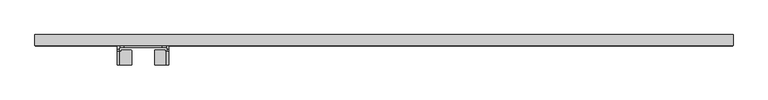
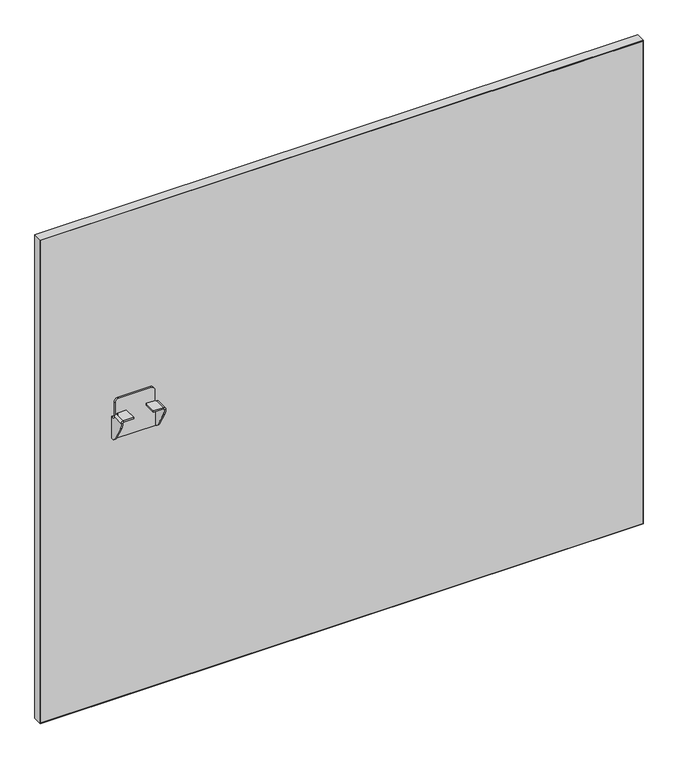
"""IFC4 building model written with IfcOpenShell, lengths in millimetres: furniture geometry."""

from ifc_helpers import new_model, si_unit, frame, origin, place, context, project, spatial, polyline, circle_curve, outline, extrude, source, transform, mapped, element, save
from ifc_brep_helpers import plane_surface, cylinder_surface, revolved_surface, advanced_brep


def furniture_48e8f920(model_context):
    return source(origin(), model_context, "Body", "SolidModel", [
        advanced_brep(
        [(149.0521938, 1.06716, 620.0380983), (149.0521938, 4.1049999, 620.0380983), (144.0521992, 4.1049999, 620.0380983), (144.0521992, -1.6875933, 620.0380983), (147.0900316, -1.6875933, 620.0380983), (147.0900316, 1.06716, 620.0380983), (229.0522071, 4.1049999, 620.0380983), (229.0522071, 1.06716, 620.0380983), (231.0143693, 1.06716, 620.0380983), (231.0143693, -1.6875933, 620.0380983), (234.0522017, -1.6875933, 620.0380983), (234.0522017, 4.1049999, 620.0380983), (229.052189, 4.1049999, 649.8381144), (229.052189, 1.06716, 649.8381144), (222.0521984, 4.1049999, 656.838105), (222.0521984, 1.06716, 656.838105), (156.0522026, 4.1049999, 656.838105), (156.0522026, 1.06716, 656.838105), (149.0521938, 4.1049999, 649.8380962), (149.0521938, 1.06716, 649.8380962), (169.0521994, -29.5203411, 626.5001312), (169.0521994, -29.5203411, 629.5379545), (148.4947233, -29.5203411, 629.5379545), (144.0521992, -29.5203411, 625.0954304), (144.0521992, -29.5203411, 624.6295199), (147.0900316, -29.5203411, 624.6295199), (147.0900316, -29.5203411, 625.0357436), (148.5544192, -29.5203411, 626.5001312), (209.0522015, -29.5203411, 626.5001312), (229.5499817, -29.5203411, 626.5001312), (231.0143693, -29.5203411, 625.0357436), (231.0143693, -29.5203411, 624.6295199), (234.0522017, -29.5203411, 624.6295199), (234.0522017, -29.5203411, 625.0954304), (229.6096776, -29.5203411, 629.5379545), (209.0522015, -29.5203411, 629.5379545), (234.0522017, 4.1049999, 573.0381329), (144.0521992, 4.1049999, 573.0381329), (169.0521994, -4.3999769, 626.5001312), (169.0521994, -4.3999769, 629.5379545), (168.1725625, -3.5203401, 629.5379545), (151.2898165, -3.5203401, 629.5379545), (150.5521931, -4.2579635, 629.5379545), (150.5521931, -5.4397153, 629.5379545), (149.9715682, -6.0203402, 629.5379545), (148.4947233, -6.0203402, 629.5379545), (144.0521992, -6.0203402, 625.0954304), (144.0521992, -6.0203402, 624.3708452), (144.0521992, 0.8823599, 573.0381329), (144.0521992, -5.9290326, 577.9183582), (144.0521992, -25.8702399, 611.375914), (147.0900316, 0.8823599, 573.0381329), (234.0522017, 0.8823599, 573.0381329), (231.0143693, 0.8823599, 573.0381329), (231.0143693, 1.06716, 573.0381329), (147.0900316, 1.06716, 573.0381329), (147.0900316, -25.8702399, 611.375914), (147.0900316, -5.9290326, 577.9183582), (147.0900316, -6.0203402, 624.3708452), (147.0900316, -6.0203402, 625.0357436), (148.5544192, -6.0203402, 626.5001312), (149.9715682, -6.0203402, 626.5001312), (150.5521931, -5.4397153, 626.5001312), (150.5521931, -4.2579635, 626.5001312), (151.2898165, -3.5203401, 626.5001312), (168.1725625, -3.5203401, 626.5001312), (209.0522015, -4.3999769, 626.5001312), (209.9318384, -3.5203401, 626.5001312), (226.8145845, -3.5203401, 626.5001312), (227.5522079, -4.2579635, 626.5001312), (227.5522079, -5.4397153, 626.5001312), (228.1328327, -6.0203402, 626.5001312), (229.5499817, -6.0203402, 626.5001312), (231.0143693, -6.0203402, 625.0357436), (231.0143693, -6.0203402, 624.3708452), (231.0143693, -5.9290326, 577.9183582), (231.0143693, -25.8702399, 611.375914), (234.0522017, -25.8702399, 611.375914), (234.0522017, -5.9290326, 577.9183582), (234.0522017, -6.0203402, 624.3708452), (234.0522017, -6.0203402, 625.0954304), (229.6096776, -6.0203402, 629.5379545), (228.1328327, -6.0203402, 629.5379545), (227.5522079, -5.4397153, 629.5379545), (227.5522079, -4.2579635, 629.5379545), (226.8145845, -3.5203401, 629.5379545), (209.9318384, -3.5203401, 629.5379545), (209.0522015, -4.3999769, 629.5379545)],
        [
            (0, 1),
            (1, 2),
            (2, 3),
            (3, 4),
            (4, 5),
            (5, 0),
            (6, 7),
            (7, 8),
            (8, 9),
            (9, 10),
            (10, 11),
            (11, 6),
            (12, 13),
            (13, 7),
            (6, 12),
            (12, 14, circle_curve(frame((222.0521984, 4.1049999, 649.8381144), z_axis=(0.0, -1.0, 0.0), x_axis=(1.0, 0.0, 0.0)), 6.9999906)),
            (14, 15),
            (15, 13, circle_curve(frame((222.0521984, 1.06716, 649.8381144), z_axis=(0.0, 1.0, 0.0), x_axis=(1.0, 0.0, 0.0)), 6.9999906)),
            (14, 16),
            (16, 17),
            (17, 15),
            (16, 18, circle_curve(frame((156.0522026, 4.1049999, 649.8380962), z_axis=(0.0, -1.0, 0.0), x_axis=(1.0, 0.0, 0.0)), 7.0000088)),
            (18, 19),
            (19, 17, circle_curve(frame((156.0522026, 1.06716, 649.8380962), z_axis=(0.0, 1.0, 0.0), x_axis=(1.0, 0.0, 0.0)), 7.0000088)),
            (18, 1),
            (0, 19),
            (20, 21),
            (21, 22),
            (22, 23, circle_curve(frame((148.4947233, -29.5203411, 625.0954304), z_axis=(0.0, -1.0, 0.0), x_axis=(1.0, 0.0, 0.0)), 4.4425241)),
            (23, 24),
            (24, 25),
            (25, 26),
            (26, 27, circle_curve(frame((148.5544192, -29.5203411, 625.0357436), z_axis=(0.0, 1.0, 0.0), x_axis=(1.0, 0.0, 0.0)), 1.4643876)),
            (27, 20),
            (28, 29),
            (29, 30, circle_curve(frame((229.5499817, -29.5203411, 625.0357436), z_axis=(0.0, 1.0, 0.0), x_axis=(-1.0, 0.0, 0.0)), 1.4643876)),
            (30, 31),
            (31, 32),
            (32, 33),
            (33, 34, circle_curve(frame((229.6096776, -29.5203411, 625.0954304), z_axis=(0.0, -1.0, 0.0), x_axis=(-1.0, 0.0, 0.0)), 4.4425241)),
            (34, 35),
            (35, 28),
            (11, 36),
            (36, 37),
            (37, 2),
            (20, 38),
            (38, 39),
            (39, 21),
            (39, 40, circle_curve(frame((168.1725625, -4.3999769, 629.5379545), z_axis=(0.0, 0.0, 1.0), x_axis=(1.0, 0.0, 0.0)), 0.8796369)),
            (40, 41),
            (41, 42, circle_curve(frame((151.2898165, -4.2579635, 629.5379545), z_axis=(0.0, 0.0, 1.0), x_axis=(1.0, 0.0, 0.0)), 0.7376234)),
            (42, 43),
            (43, 44, circle_curve(frame((149.9715682, -5.4397153, 629.5379545), z_axis=(0.0, 0.0, -1.0), x_axis=(1.0, 0.0, 0.0)), 0.5806249)),
            (44, 45),
            (45, 22),
            (45, 46, circle_curve(frame((148.4947233, -6.0203402, 625.0954304), z_axis=(0.0, -1.0, 0.0), x_axis=(1.0, 0.0, 0.0)), 4.4425241)),
            (46, 23),
            (46, 47),
            (47, 3, circle_curve(frame((144.0521992, -1.6875933, 624.3708452), z_axis=(1.0, 0.0, 0.0), x_axis=(0.0, -1.0, 0.0)), 4.3327469)),
            (37, 48),
            (48, 49, circle_curve(frame((144.0521992, 3.066225, 583.2796673), z_axis=(-1.0, 0.0, 0.0), x_axis=(0.0, -1.0, 0.0)), 10.4717856)),
            (49, 50),
            (50, 24, circle_curve(frame((144.0521992, -3.6332082, 624.6295199), z_axis=(-1.0, 0.0, 0.0), x_axis=(0.0, -1.0, 0.0)), 25.8871329)),
            (51, 48),
            (36, 52),
            (52, 53),
            (53, 54),
            (54, 55),
            (55, 51),
            (25, 56, circle_curve(frame((147.0900316, -3.6332082, 624.6295199), z_axis=(1.0, 0.0, 0.0), x_axis=(0.0, -1.0, 0.0)), 25.8871329)),
            (56, 57),
            (57, 51, circle_curve(frame((147.0900316, 3.066225, 583.2796673), z_axis=(1.0, 0.0, 0.0), x_axis=(0.0, -1.0, 0.0)), 10.4717856)),
            (55, 5),
            (4, 58, circle_curve(frame((147.0900316, -1.6875933, 624.3708452), z_axis=(-1.0, 0.0, 0.0), x_axis=(0.0, -1.0, 0.0)), 4.3327469)),
            (58, 59),
            (59, 26),
            (59, 60, circle_curve(frame((148.5544192, -6.0203402, 625.0357436), z_axis=(0.0, 1.0, 0.0), x_axis=(1.0, 0.0, 0.0)), 1.4643876)),
            (60, 27),
            (60, 61),
            (61, 62, circle_curve(frame((149.9715682, -5.4397153, 626.5001312), z_axis=(0.0, 0.0, 1.0), x_axis=(1.0, 0.0, 0.0)), 0.5806249)),
            (62, 63),
            (63, 64, circle_curve(frame((151.2898165, -4.2579635, 626.5001312), z_axis=(0.0, 0.0, -1.0), x_axis=(1.0, 0.0, 0.0)), 0.7376234)),
            (64, 65),
            (65, 38, circle_curve(frame((168.1725625, -4.3999769, 626.5001312), z_axis=(0.0, 0.0, -1.0), x_axis=(1.0, 0.0, 0.0)), 0.8796369)),
            (28, 66),
            (66, 67, circle_curve(frame((209.9318384, -4.3999769, 626.5001312), z_axis=(0.0, 0.0, -1.0), x_axis=(-1.0, 0.0, 0.0)), 0.8796369)),
            (67, 68),
            (68, 69, circle_curve(frame((226.8145845, -4.2579635, 626.5001312), z_axis=(0.0, 0.0, -1.0), x_axis=(-1.0, 0.0, 0.0)), 0.7376234)),
            (69, 70),
            (70, 71, circle_curve(frame((228.1328327, -5.4397153, 626.5001312), z_axis=(0.0, 0.0, 1.0), x_axis=(-1.0, 0.0, 0.0)), 0.5806249)),
            (71, 72),
            (72, 29),
            (72, 73, circle_curve(frame((229.5499817, -6.0203402, 625.0357436), z_axis=(0.0, 1.0, 0.0), x_axis=(-1.0, 0.0, 0.0)), 1.4643876)),
            (73, 30),
            (73, 74),
            (74, 9, circle_curve(frame((231.0143693, -1.6875933, 624.3708452), z_axis=(1.0, 0.0, 0.0), x_axis=(0.0, -1.0, 0.0)), 4.3327469)),
            (8, 54),
            (53, 75, circle_curve(frame((231.0143693, 3.066225, 583.2796673), z_axis=(-1.0, 0.0, 0.0), x_axis=(0.0, -1.0, 0.0)), 10.4717856)),
            (75, 76),
            (76, 31, circle_curve(frame((231.0143693, -3.6332082, 624.6295199), z_axis=(-1.0, 0.0, 0.0), x_axis=(0.0, -1.0, 0.0)), 25.8871329)),
            (32, 77, circle_curve(frame((234.0522017, -3.6332082, 624.6295199), z_axis=(1.0, 0.0, 0.0), x_axis=(0.0, -1.0, 0.0)), 25.8871329)),
            (77, 78),
            (78, 52, circle_curve(frame((234.0522017, 3.066225, 583.2796673), z_axis=(1.0, 0.0, 0.0), x_axis=(0.0, -1.0, 0.0)), 10.4717856)),
            (10, 79, circle_curve(frame((234.0522017, -1.6875933, 624.3708452), z_axis=(-1.0, 0.0, 0.0), x_axis=(0.0, -1.0, 0.0)), 4.3327469)),
            (79, 80),
            (80, 33),
            (80, 81, circle_curve(frame((229.6096776, -6.0203402, 625.0954304), z_axis=(0.0, -1.0, 0.0), x_axis=(-1.0, 0.0, 0.0)), 4.4425241)),
            (81, 34),
            (81, 82),
            (82, 83, circle_curve(frame((228.1328327, -5.4397153, 629.5379545), z_axis=(0.0, 0.0, -1.0), x_axis=(-1.0, 0.0, 0.0)), 0.5806249)),
            (83, 84),
            (84, 85, circle_curve(frame((226.8145845, -4.2579635, 629.5379545), z_axis=(0.0, 0.0, 1.0), x_axis=(-1.0, 0.0, 0.0)), 0.7376234)),
            (85, 86),
            (86, 87, circle_curve(frame((209.9318384, -4.3999769, 629.5379545), z_axis=(0.0, 0.0, 1.0), x_axis=(-1.0, 0.0, 0.0)), 0.8796369)),
            (87, 35),
            (87, 66),
            (49, 57),
            (56, 50),
            (75, 78),
            (77, 76),
            (47, 58),
            (74, 79),
            (64, 41),
            (40, 65),
            (44, 61),
            (43, 62),
            (42, 63),
            (68, 85),
            (84, 69),
            (83, 70),
            (82, 71),
            (86, 67),
        ],
        [
            plane_surface(frame((147.8704256, 1.06716, 620.0380983), z_axis=(0.0, 0.0, 1.0), x_axis=(0.0, 1.0, 0.0))),
            plane_surface(frame((234.0522017, 1.06716, 620.0380983), z_axis=(0.0, 0.0, 1.0), x_axis=(0.0, 1.0, 0.0))),
            plane_surface(frame((229.052189, 1.06716, 621.2198666), z_axis=(1.0, 0.0, 0.0), x_axis=(0.0, 1.0, 0.0))),
            cylinder_surface(frame((222.0521984, 4.1049999, 649.8381144), z_axis=(0.0, -1.0, 0.0), x_axis=(1.0, 0.0, 0.0)), 6.9999906),
            plane_surface(frame((222.0521984, 1.06716, 656.838105), z_axis=(0.0, 0.0, 1.0), x_axis=(0.0, 1.0, 0.0))),
            cylinder_surface(frame((156.0522026, 4.1049999, 649.8380962), z_axis=(0.0, -1.0, 0.0), x_axis=(1.0, 0.0, 0.0)), 7.0000088),
            plane_surface(frame((149.0521938, 1.06716, 649.8380962), z_axis=(-1.0, 0.0, 0.0), x_axis=(0.0, 1.0, 0.0))),
            plane_surface(frame((169.0521994, -29.5203411, 629.5379545), z_axis=(0.0, -1.0, 0.0), x_axis=(0.0, 0.0, 1.0))),
            plane_surface(frame((169.0521994, 4.1049999, 629.5379545), z_axis=(0.0, 1.0, 0.0), x_axis=(0.0, 0.0, -1.0))),
            plane_surface(frame((169.0521994, -29.5203411, 626.5001312), z_axis=(1.0, 0.0, 0.0), x_axis=(0.0, 1.0, 0.0))),
            plane_surface(frame((169.0521994, -29.5203411, 629.5379545), z_axis=(0.0, 0.0, 1.0), x_axis=(0.0, 1.0, 0.0))),
            cylinder_surface(frame((148.4947233, 4.1049999, 625.0954304), z_axis=(0.0, -1.0, 0.0), x_axis=(1.0, 0.0, 0.0)), 4.4425241),
            plane_surface(frame((144.0521992, -29.5203411, 625.0954304), z_axis=(-1.0, 0.0, 0.0), x_axis=(0.0, 1.0, 0.0))),
            plane_surface(frame((144.0521992, -29.5203411, 573.0381329), z_axis=(0.0, 0.0, -1.0), x_axis=(0.0, 1.0, 0.0))),
            plane_surface(frame((147.0900316, -29.5203411, 573.0381329), z_axis=(1.0, 0.0, 0.0), x_axis=(0.0, 1.0, 0.0))),
            revolved_surface(polyline([(150.01880680000002, -6.020340199999999, 625.0357436), (150.01880680000002, -29.5203411, 625.0357436)]), (148.5544192, 4.1049999, 625.0357436), (0.0, 1.0, 0.0)),
            plane_surface(frame((148.5544192, -29.5203411, 626.5001312), z_axis=(0.0, 0.0, -1.0), x_axis=(0.0, 1.0, 0.0))),
            plane_surface(frame((209.0522015, -29.5203411, 626.5001312), z_axis=(0.0, 0.0, -1.0), x_axis=(0.0, 1.0, 0.0))),
            revolved_surface(polyline([(228.08559409999998, -6.0203402, 625.0357436), (228.08559409999998, -29.5203411, 625.0357436)]), (229.5499817, 0.0, 625.0357436), (0.0, 1.0, 0.0)),
            plane_surface(frame((231.0143693, -29.5203411, 625.0357436), z_axis=(-1.0, 0.0, 0.0), x_axis=(0.0, 1.0, 0.0))),
            plane_surface(frame((234.0522017, -29.5203411, 573.0381329), z_axis=(1.0, 0.0, 0.0), x_axis=(0.0, 1.0, 0.0))),
            cylinder_surface(frame((229.6096776, 0.0, 625.0954304), z_axis=(0.0, -1.0, 0.0), x_axis=(-1.0, 0.0, 0.0)), 4.4425241),
            plane_surface(frame((229.6096776, -29.5203411, 629.5379545), z_axis=(0.0, 0.0, 1.0), x_axis=(0.0, 1.0, 0.0))),
            plane_surface(frame((209.0522015, -29.5203411, 629.5379545), z_axis=(-1.0, 0.0, 0.0), x_axis=(0.0, 1.0, 0.0))),
            plane_surface(frame((236.585753, -5.9290326, 577.9183582), z_axis=(0.0, -0.8589994037788274, -0.5119765857025291), x_axis=(-1.0, 0.0, 0.0))),
            cylinder_surface(frame((141.8424723, -3.6332082, 624.6295199), z_axis=(-1.0, 0.0, 0.0), x_axis=(0.0, -1.0, 0.0)), 25.8871329),
            cylinder_surface(frame((141.8424723, 3.066225, 583.2796673), z_axis=(-1.0, 0.0, 0.0), x_axis=(0.0, -1.0, 0.0)), 10.4717856),
            revolved_surface(polyline([(147.0900316, -6.0203402, 624.3708452), (144.0521992, -6.0203402, 624.3708452)]), (141.8424723, -1.6875933, 624.3708452), (1.0, 0.0, 0.0)),
            revolved_surface(polyline([(231.0143693, -6.0203402, 624.3708452), (234.0522017, -6.0203402, 624.3708452)]), (236.2619286, -1.6875933, 624.3708452), (-1.0, 0.0, 0.0)),
            plane_surface(frame((151.2898165, -3.5203401, 663.2138968), z_axis=(0.0, 1.0, 0.0), x_axis=(0.0, 0.0, -1.0))),
            cylinder_surface(frame((168.1725625, -4.3999769, 560.9501359), z_axis=(0.0, 0.0, -1.0), x_axis=(1.0, 0.0, 0.0)), 0.8796369),
            plane_surface(frame((169.0521994, 1.06716, 663.2138968), z_axis=(0.0, -1.0, 0.0), x_axis=(0.0, 0.0, -1.0))),
            plane_surface(frame((149.0521938, -6.0203402, 663.2138968), z_axis=(0.0, 1.0, 0.0), x_axis=(0.0, 0.0, -1.0))),
            revolved_surface(polyline([(150.5521931, -5.4397153, 629.5379545), (150.5521931, -5.4397153, 626.5001312)]), (149.9715682, -5.4397153, 560.9501359), (0.0, 0.0, 1.0)),
            plane_surface(frame((150.5521931, -5.4397153, 663.2138968), z_axis=(-1.0, 0.0, 0.0), x_axis=(0.0, 0.0, -1.0))),
            cylinder_surface(frame((151.2898165, -4.2579635, 560.9501359), z_axis=(0.0, 0.0, -1.0), x_axis=(1.0, 0.0, 0.0)), 0.7376234),
            cylinder_surface(frame((226.8145845, -4.2579635, 48.3485614), z_axis=(0.0, 0.0, -1.0), x_axis=(-1.0, 0.0, 0.0)), 0.7376234),
            plane_surface(frame((227.5522079, -4.2579635, 663.2138968), z_axis=(1.0, 0.0, 0.0), x_axis=(0.0, 0.0, -1.0))),
            revolved_surface(polyline([(227.5522078, -5.4397153, 629.5379545), (227.5522078, -5.4397153, 626.5001312)]), (228.1328327, -5.4397153, 48.3485614), (0.0, 0.0, 1.0)),
            plane_surface(frame((228.1328327, -6.0203402, 663.2138968), z_axis=(0.0, 1.0, 0.0), x_axis=(0.0, 0.0, -1.0))),
            cylinder_surface(frame((209.9318384, -4.3999769, 48.3485614), z_axis=(0.0, 0.0, -1.0), x_axis=(-1.0, 0.0, 0.0)), 0.8796369),
            plane_surface(frame((209.9318384, -3.5203401, 663.2138968), z_axis=(0.0, 1.0, 0.0), x_axis=(0.0, 0.0, -1.0))),
        ],
        [
            (0, [[1, 2, 3, 4, 5, 6]]),
            (1, [[7, 8, 9, 10, 11, 12]]),
            (2, [[13, 14, -7, 15]]),
            (3, [[16, 17, 18, -13]]),
            (4, [[19, 20, 21, -17]]),
            (5, [[22, 23, 24, -20]]),
            (6, [[-23, 25, -1, 26]]),
            (7, [[27, 28, 29, 30, 31, 32, 33, 34]]),
            (7, [[35, 36, 37, 38, 39, 40, 41, 42]]),
            (8, [[-22, -19, -16, -15, -12, 43, 44, 45, -2, -25]]),
            (9, [[-27, 46, 47, 48]]),
            (10, [[-28, -48, 49, 50, 51, 52, 53, 54, 55]]),
            (11, [[-29, -55, 56, 57]]),
            (12, [[-30, -57, 58, 59, -3, -45, 60, 61, 62, 63]]),
            (13, [[64, -60, -44, 65, 66, 67, 68, 69]]),
            (14, [[-32, 70, 71, 72, -69, 73, -5, 74, 75, 76]]),
            (15, [[-33, -76, 77, 78]]),
            (16, [[-34, -78, 79, 80, 81, 82, 83, 84, -46]]),
            (17, [[-35, 85, 86, 87, 88, 89, 90, 91, 92]]),
            (18, [[-36, -92, 93, 94]]),
            (19, [[-37, -94, 95, 96, -9, 97, -67, 98, 99, 100]]),
            (20, [[-39, 101, 102, 103, -65, -43, -11, 104, 105, 106]]),
            (21, [[-40, -106, 107, 108]]),
            (22, [[-41, -108, 109, 110, 111, 112, 113, 114, 115]]),
            (23, [[-42, -115, 116, -85]]),
            (24, [[117, -71, 118, -62]]),
            (24, [[119, -102, 120, -99]]),
            (25, [[-118, -70, -31, -63]]),
            (25, [[-120, -101, -38, -100]]),
            (26, [[-117, -61, -64, -72]]),
            (26, [[-119, -98, -66, -103]]),
            (27, [[121, -74, -4, -59]]),
            (28, [[122, -104, -10, -96]]),
            (29, [[123, -50, 124, -83]]),
            (30, [[-124, -49, -47, -84]]),
            (31, [[-14, -18, -21, -24, -26, -6, -73, -68, -97, -8]]),
            (32, [[125, -79, -77, -75, -121, -58, -56, -54]]),
            (33, [[-125, -53, 126, -80]]),
            (34, [[-126, -52, 127, -81]]),
            (35, [[-123, -82, -127, -51]]),
            (36, [[128, -112, 129, -88]]),
            (37, [[-129, -111, 130, -89]]),
            (38, [[-130, -110, 131, -90]]),
            (39, [[-131, -109, -107, -105, -122, -95, -93, -91]]),
            (40, [[132, -86, -116, -114]]),
            (41, [[-128, -87, -132, -113]]),
        ],
    ),
        extrude(outline(polyline([(1218.184, 4.1049999), (1.016, 4.1049999), (1.016, 23.4089999), (1218.184, 23.4089999), (1218.184, 4.1049999)])), frame((0.0, 0.0, 15.0745614), z_axis=(0.0, 0.0, 1.0), x_axis=(1.0, 0.0, 0.0)), (0.0, 0.0, 1.0), 1031.494),
        extrude(outline(polyline([(1047.5845614, 1219.2), (1047.5845614, 0.0), (14.0585614, 0.0), (14.0585614, 1219.2), (1047.5845614, 1219.2)]), holes=[polyline([(15.0745614, 1218.184), (15.0745614, 1.016), (1046.5685614, 1.016), (1046.5685614, 1218.184), (15.0745614, 1218.184)])]), frame((0.0, 4.1049999, 0.0), z_axis=(0.0, 1.0, 0.0), x_axis=(0.0, 0.0, 1.0)), (0.0, 0.0, 1.0), 19.304),
    ])


if __name__ == "__main__":
    model = new_model("IFC4")
    model_context = context("Model", 3, world=origin())
    ifc_project = project(units=[si_unit("LENGTHUNIT", "METRE", prefix="MILLI")], contexts=[model_context])
    site = spatial("IfcSite", under=ifc_project)
    building = spatial("IfcBuilding", under=site)
    placement = place(None, origin())
    furniture_shape = furniture_48e8f920(model_context)
    element("IfcFurniture", 1, at=placement, inside=building, context=model_context, shape_type="MappedRepresentation", body=[
        mapped(furniture_shape, transform((0.0, 0.0, 0.0), x_axis=(1.0, 0.0, 0.0), y_axis=(0.0, 1.0, 0.0), z_axis=(0.0, 0.0, 1.0))),
    ])
    save(model, "model.ifc")
